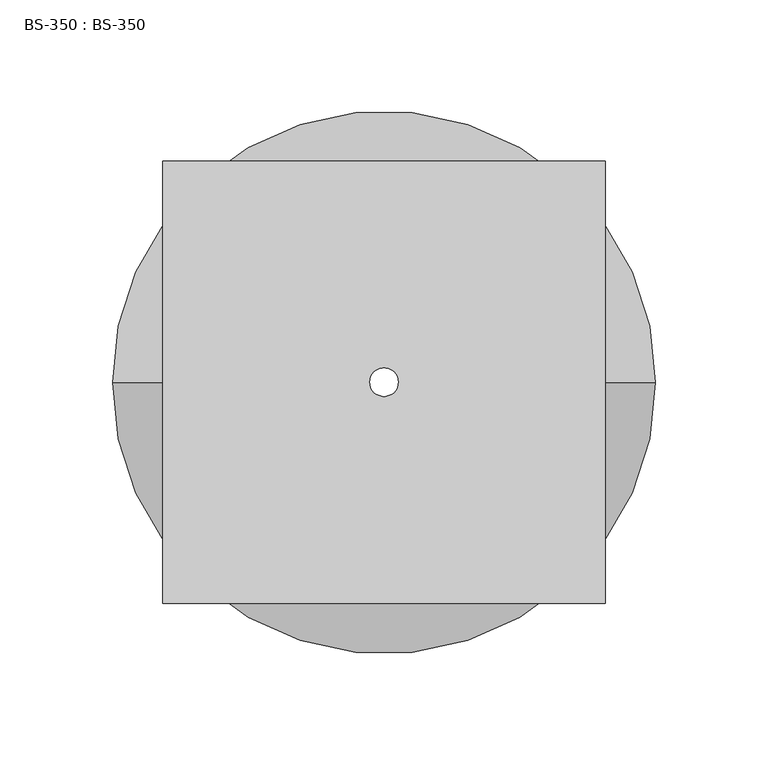
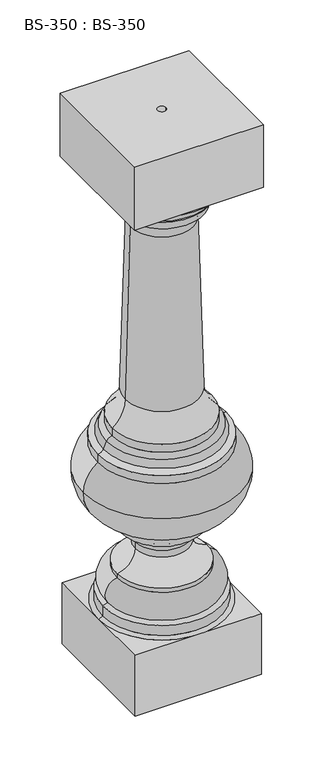
"""IFC4 building model written with IfcOpenShell, lengths in millimetres: proxy geometry, BS-350 : BS-350."""

from ifc_helpers import new_model, si_unit, point, frame, origin, place, context, project, spatial, polyline, circle_curve, ellipse_curve, trimmed, source, transform, mapped, element, save
from ifc_brep_helpers import plane_surface, cylinder_surface, revolved_surface, advanced_brep


def bs_350_bs_350_b2074b74(model_context):
    return source(origin(), model_context, "Body", "AdvancedBrep", [
        advanced_brep(
        [(98.425, -98.425, 889.0), (-98.425, -98.425, 889.0), (-98.425, -98.425, 787.4), (98.425, -98.425, 787.4), (98.425, 98.425, 889.0), (98.425, 98.425, 787.4), (-98.425, 98.425, 787.4), (-98.425, 98.425, 889.0), (6.35, 0.0480835, 889.0), (-6.35, 0.0480835, 889.0), (85.725, 0.0, 787.4), (-85.725, 0.0, 787.4), (-6.35, 0.0480835, 0.0), (6.35, 0.0480835, 0.0), (-68.2625, 0.0, 161.925), (68.2625, 0.0, 161.925), (68.2625, 0.0, 155.575), (-68.2625, 0.0, 155.575), (-41.275, 0.0, 193.3157804), (41.275, 0.0, 193.3157804), (-41.275, 0.0, 204.2894878), (41.275, 0.0, 204.2894878), (-53.975, 0.0, 222.25), (53.975, 0.0, 222.25), (-59.1337644, 0.0, 243.205), (59.1337644, 0.0, 243.205), (-59.4372211, 0.0, 244.6991176), (59.4372211, 0.0, 244.6991176), (-120.65, 0.0, 311.15), (120.65, 0.0, 311.15), (-98.425, 0.0, 352.425), (98.425, 0.0, 352.425), (-98.425, 0.0, 365.125), (98.425, 0.0, 365.125), (-89.7112143, 0.0, 370.8034999), (89.7112143, 0.0, 370.8034999), (-84.9137857, 0.0, 381.6715001), (84.9137857, 0.0, 381.6715001), (-76.2, 0.0, 387.35), (76.2, 0.0, 387.35), (-76.2, 0.0, 400.05), (76.2, 0.0, 400.05), (-56.0537249, 0.0, 439.1504772), (56.0537249, 0.0, 439.1504772), (-48.2973197, 0.0, 715.7955979), (48.2973197, 0.0, 715.7955979), (-63.5, 0.0, 739.775), (63.5, 0.0, 739.775), (-63.5, 0.0, 752.475), (63.5, 0.0, 752.475), (-72.2137857, 0.0, 758.1534999), (72.2137857, 0.0, 758.1534999), (-77.0112143, 0.0, 769.0215001), (77.0112143, 0.0, 769.0215001), (-85.725, 0.0, 774.7), (85.725, 0.0, 774.7), (-83.1656252, 0.0, 120.65), (83.1656252, 0.0, 120.65), (90.4875, 0.0, 117.475), (-90.4875, 0.0, 117.475), (90.4875, 0.0, 101.6), (-90.4875, 0.0, 101.6), (96.8375, 0.0, 98.425), (0.0, 96.8375, 98.425), (-96.8375, 0.0, 98.425), (0.0, -96.8375, 98.425), (-96.8375, -96.8375, 98.425), (-96.8375, -96.8375, 0.0), (96.8375, -96.8375, 0.0), (96.8375, -96.8375, 98.425), (96.8375, 96.8375, 98.425), (96.8375, 96.8375, 0.0), (-96.8375, 96.8375, 0.0), (-96.8375, 96.8375, 98.425)],
        [
            (0, 1),
            (1, 2),
            (2, 3),
            (3, 0),
            (4, 5),
            (5, 6),
            (6, 7),
            (7, 4),
            (0, 4),
            (7, 1),
            (8, 9, circle_curve(frame((0.0, 0.0480835, 889.0), z_axis=(0.0, 0.0, -1.0), x_axis=(-1.0, 0.0, 0.0)), 6.35)),
            (9, 8, circle_curve(frame((0.0, 0.0480835, 889.0), z_axis=(0.0, 0.0, -1.0), x_axis=(-1.0, 0.0, 0.0)), 6.35)),
            (6, 2),
            (5, 3),
            (10, 11, circle_curve(frame((0.0, 0.0, 787.4), z_axis=(0.0, 0.0, 1.0), x_axis=(1.0, 0.0, 0.0)), 85.725)),
            (11, 10, circle_curve(frame((0.0, 0.0, 787.4), z_axis=(0.0, 0.0, 1.0), x_axis=(1.0, 0.0, 0.0)), 85.725)),
            (12, 9),
            (8, 13),
            (13, 12, circle_curve(frame((0.0, 0.0480835, 0.0), z_axis=(0.0, 0.0, -1.0), x_axis=(-1.0, 0.0, 0.0)), 6.35)),
            (12, 13, circle_curve(frame((0.0, 0.0480835, 0.0), z_axis=(0.0, 0.0, -1.0), x_axis=(-1.0, 0.0, 0.0)), 6.35)),
            (14, 15, circle_curve(frame((0.0, 0.0, 161.925), z_axis=(0.0, 0.0, -1.0), x_axis=(1.0, 0.0, 0.0)), 68.2625)),
            (15, 16),
            (16, 17, circle_curve(frame((0.0, 0.0, 155.575), z_axis=(0.0, 0.0, 1.0), x_axis=(1.0, 0.0, 0.0)), 68.2625)),
            (17, 14),
            (15, 14, circle_curve(frame((0.0, 0.0, 161.925), z_axis=(0.0, 0.0, -1.0), x_axis=(1.0, 0.0, 0.0)), 68.2625)),
            (17, 16, circle_curve(frame((0.0, 0.0, 155.575), z_axis=(0.0, 0.0, 1.0), x_axis=(1.0, 0.0, 0.0)), 68.2625)),
            (14, 18, circle_curve(frame((-73.025, 0.0, 193.3157804), z_axis=(0.0, -1.0000000000000002, 0.0), x_axis=(0.15000000000000446, 0.0, -0.9886859966642588)), 31.75)),
            (18, 19, circle_curve(frame((0.0, 0.0, 193.3157804), z_axis=(0.0, 0.0, -1.0), x_axis=(1.0, 0.0, 0.0)), 41.275)),
            (19, 15, circle_curve(frame((73.025, 0.0, 193.3157804), z_axis=(0.0, -1.0000000000000002, 0.0), x_axis=(-0.15000000000000768, 0.0, -0.9886859966642584)), 31.75)),
            (19, 18, circle_curve(frame((0.0, 0.0, 193.3157804), z_axis=(0.0, 0.0, -1.0), x_axis=(1.0, 0.0, 0.0)), 41.275)),
            (18, 20),
            (20, 21, circle_curve(frame((0.0, 0.0, 204.2894878), z_axis=(0.0, 0.0, -1.0), x_axis=(1.0, 0.0, 0.0)), 41.275)),
            (21, 19),
            (21, 20, circle_curve(frame((0.0, 0.0, 204.2894878), z_axis=(0.0, 0.0, -1.0), x_axis=(1.0, 0.0, 0.0)), 41.275)),
            (20, 22, circle_curve(frame((-60.325, 0.0, 204.2894878), z_axis=(0.0, -1.0, 0.0), x_axis=(1.0, 0.0, 0.0)), 19.05)),
            (22, 23, circle_curve(frame((0.0, 0.0, 222.25), z_axis=(0.0, 0.0, -1.0), x_axis=(1.0, 0.0, 0.0)), 53.975)),
            (23, 21, circle_curve(frame((60.325, 0.0, 204.2894878), z_axis=(0.0, -1.0, 0.0), x_axis=(-1.0, 0.0, 0.0)), 19.05)),
            (23, 22, circle_curve(frame((0.0, 0.0, 222.25), z_axis=(0.0, 0.0, -1.0), x_axis=(1.0, 0.0, 0.0)), 53.975)),
            (22, 24, circle_curve(frame((-53.975, 0.0, 233.3625), z_axis=(0.0, 1.0, 0.0), x_axis=(0.0, 0.0, -1.0)), 11.1125)),
            (24, 25, circle_curve(frame((0.0, 0.0, 243.205), z_axis=(0.0, 0.0, -1.0), x_axis=(1.0, 0.0, 0.0)), 59.1337644)),
            (25, 23, circle_curve(frame((53.975, 0.0, 233.3625), z_axis=(0.0, 1.0, 0.0), x_axis=(0.0, 0.0, -1.0)), 11.1125)),
            (25, 24, circle_curve(frame((0.0, 0.0, 243.205), z_axis=(0.0, 0.0, -1.0), x_axis=(1.0, 0.0, 0.0)), 59.1337644)),
            (24, 26, circle_curve(frame((-59.5022476, 0.0, 243.9080357), z_axis=(0.0, -1.0, 0.0), x_axis=(0.46423076598030405, 0.0, -0.8857142857137059)), 0.79375)),
            (26, 27, circle_curve(frame((0.0, 0.0, 244.6991176), z_axis=(0.0, 0.0, -1.0), x_axis=(1.0, 0.0, 0.0)), 59.4372211)),
            (27, 25, circle_curve(frame((59.5022476, 0.0, 243.9080357), z_axis=(0.0, -1.0, 0.0), x_axis=(-0.46423076598030694, 0.0, -0.8857142857137044)), 0.79375)),
            (27, 26, circle_curve(frame((0.0, 0.0, 244.6991176), z_axis=(0.0, 0.0, -1.0), x_axis=(1.0, 0.0, 0.0)), 59.4372211)),
            (26, 28, circle_curve(frame((-53.975, 0.0, 311.15), z_axis=(0.0, 1.0000000000000002, 0.0), x_axis=(-0.08192307634939036, 0.0, -0.9966386554621751)), 66.675)),
            (28, 29, circle_curve(frame((0.0, 0.0, 311.15), z_axis=(0.0, 0.0, -1.0), x_axis=(1.0, 0.0, 0.0)), 120.65)),
            (29, 27, circle_curve(frame((53.975, 0.0, 311.15), z_axis=(0.0, 1.0000000000000002, 0.0), x_axis=(0.08192307634938714, 0.0, -0.9966386554621753)), 66.675)),
            (29, 28, circle_curve(frame((0.0, 0.0, 311.15), z_axis=(0.0, 0.0, -1.0), x_axis=(1.0, 0.0, 0.0)), 120.65)),
            (28, 30, circle_curve(frame((-71.2107143, 0.0, 311.15), z_axis=(0.0, 1.0, 0.0), x_axis=(-1.0, 0.0, 0.0)), 49.4392857)),
            (30, 31, circle_curve(frame((0.0, 0.0, 352.425), z_axis=(0.0, 0.0, -1.0), x_axis=(1.0, 0.0, 0.0)), 98.425)),
            (31, 29, circle_curve(frame((71.2107143, 0.0, 311.15), z_axis=(0.0, 1.0, 0.0), x_axis=(1.0, 0.0, 0.0)), 49.4392857)),
            (31, 30, circle_curve(frame((0.0, 0.0, 352.425), z_axis=(0.0, 0.0, -1.0), x_axis=(1.0, 0.0, 0.0)), 98.425)),
            (30, 32),
            (32, 33, circle_curve(frame((0.0, 0.0, 365.125), z_axis=(0.0, 0.0, -1.0), x_axis=(1.0, 0.0, 0.0)), 98.425)),
            (33, 31),
            (33, 32, circle_curve(frame((0.0, 0.0, 365.125), z_axis=(0.0, 0.0, -1.0), x_axis=(1.0, 0.0, 0.0)), 98.425)),
            (32, 34, circle_curve(frame((-98.425, 0.0, 374.65), z_axis=(0.0, -1.0, 0.0), x_axis=(1.209428543885149e-12, 0.0, -1.0)), 9.525)),
            (34, 35, circle_curve(frame((0.0, 0.0, 370.8034999), z_axis=(0.0, 0.0, -1.0), x_axis=(1.0, 0.0, 0.0)), 89.7112143)),
            (35, 33, circle_curve(frame((98.425, 0.0, 374.65), z_axis=(0.0, -1.0, 0.0), x_axis=(-1.2126596023657426e-12, 0.0, -1.0)), 9.525)),
            (35, 34, circle_curve(frame((0.0, 0.0, 370.8034999), z_axis=(0.0, 0.0, -1.0), x_axis=(1.0, 0.0, 0.0)), 89.7112143)),
            (34, 36),
            (36, 37, circle_curve(frame((0.0, 0.0, 381.6715001), z_axis=(0.0, 0.0, -1.0), x_axis=(1.0, 0.0, 0.0)), 84.9137857)),
            (37, 35),
            (37, 36, circle_curve(frame((0.0, 0.0, 381.6715001), z_axis=(0.0, 0.0, -1.0), x_axis=(1.0, 0.0, 0.0)), 84.9137857)),
            (36, 38, circle_curve(frame((-76.2, 0.0, 377.825), z_axis=(0.0, 1.0, 0.0), x_axis=(-0.9148331477354128, 0.0, 0.4038320341485015)), 9.525)),
            (38, 39, circle_curve(frame((0.0, 0.0, 387.35), z_axis=(0.0, 0.0, -1.0), x_axis=(1.0, 0.0, 0.0)), 76.2)),
            (39, 37, circle_curve(frame((76.2, 0.0, 377.825), z_axis=(0.0, 1.0, 0.0), x_axis=(0.9148331477354141, 0.0, 0.4038320341484985)), 9.525)),
            (39, 38, circle_curve(frame((0.0, 0.0, 387.35), z_axis=(0.0, 0.0, -1.0), x_axis=(1.0, 0.0, 0.0)), 76.2)),
            (38, 40),
            (40, 41, circle_curve(frame((0.0, 0.0, 400.05), z_axis=(0.0, 0.0, -1.0), x_axis=(1.0, 0.0, 0.0)), 76.2)),
            (41, 39),
            (41, 40, circle_curve(frame((0.0, 0.0, 400.05), z_axis=(0.0, 0.0, -1.0), x_axis=(1.0, 0.0, 0.0)), 76.2)),
            (40, 42, circle_curve(frame((-106.8337699, 0.0, 440.5742167), z_axis=(0.0, -1.0, 0.0), x_axis=(0.6030269664236528, 0.0, -0.79772080188866)), 50.8)),
            (42, 43, circle_curve(frame((0.0, 0.0, 439.1504772), z_axis=(0.0, 0.0, -1.0), x_axis=(1.0, 0.0, 0.0)), 56.0537249)),
            (43, 41, circle_curve(frame((106.8337699, 0.0, 440.5742167), z_axis=(0.0, -1.0, 0.0), x_axis=(-0.6030269664236555, 0.0, -0.797720801888658)), 50.8)),
            (43, 42, circle_curve(frame((0.0, 0.0, 439.1504772), z_axis=(0.0, 0.0, -1.0), x_axis=(1.0, 0.0, 0.0)), 56.0537249)),
            (42, 44),
            (44, 45, circle_curve(frame((0.0, 0.0, 715.7955979), z_axis=(0.0, 0.0, -1.0), x_axis=(1.0, 0.0, 0.0)), 48.2973197)),
            (45, 43),
            (45, 44, circle_curve(frame((0.0, 0.0, 715.7955979), z_axis=(0.0, 0.0, -1.0), x_axis=(1.0, 0.0, 0.0)), 48.2973197)),
            (44, 46, circle_curve(frame((-73.6873422, 0.0, 716.5074677), z_axis=(0.0, -1.0, 0.0), x_axis=(0.9996071841499911, 0.0, -0.028026369649422206)), 25.4)),
            (46, 47, circle_curve(frame((0.0, 0.0, 739.775), z_axis=(0.0, 0.0, -1.0), x_axis=(1.0, 0.0, 0.0)), 63.5)),
            (47, 45, circle_curve(frame((73.6873422, 0.0, 716.5074677), z_axis=(0.0, -1.0, 0.0), x_axis=(-0.9996071841499911, 0.0, -0.02802636964941898)), 25.4)),
            (47, 46, circle_curve(frame((0.0, 0.0, 739.775), z_axis=(0.0, 0.0, -1.0), x_axis=(1.0, 0.0, 0.0)), 63.5)),
            (46, 48),
            (48, 49, circle_curve(frame((0.0, 0.0, 752.475), z_axis=(0.0, 0.0, -1.0), x_axis=(1.0, 0.0, 0.0)), 63.5)),
            (49, 47),
            (49, 48, circle_curve(frame((0.0, 0.0, 752.475), z_axis=(0.0, 0.0, -1.0), x_axis=(1.0, 0.0, 0.0)), 63.5)),
            (48, 50, circle_curve(frame((-63.5, 0.0, 762.0), z_axis=(0.0, 1.0, 0.0), x_axis=(0.0, 0.0, -1.0)), 9.525)),
            (50, 51, circle_curve(frame((0.0, 0.0, 758.1534999), z_axis=(0.0, 0.0, -1.0), x_axis=(1.0, 0.0, 0.0)), 72.2137857)),
            (51, 49, circle_curve(frame((63.5, 0.0, 762.0), z_axis=(0.0, 1.0, 0.0), x_axis=(0.0, 0.0, -1.0)), 9.525)),
            (51, 50, circle_curve(frame((0.0, 0.0, 758.1534999), z_axis=(0.0, 0.0, -1.0), x_axis=(1.0, 0.0, 0.0)), 72.2137857)),
            (50, 52),
            (52, 53, circle_curve(frame((0.0, 0.0, 769.0215001), z_axis=(0.0, 0.0, -1.0), x_axis=(1.0, 0.0, 0.0)), 77.0112143)),
            (53, 51),
            (53, 52, circle_curve(frame((0.0, 0.0, 769.0215001), z_axis=(0.0, 0.0, -1.0), x_axis=(1.0, 0.0, 0.0)), 77.0112143)),
            (52, 54, circle_curve(frame((-85.725, 0.0, 765.175), z_axis=(0.0, -1.0000000000000002, 0.0), x_axis=(0.9148331477358898, 0.0, 0.4038320341474212)), 9.525)),
            (54, 55, circle_curve(frame((0.0, 0.0, 774.7), z_axis=(0.0, 0.0, -1.0), x_axis=(1.0, 0.0, 0.0)), 85.725)),
            (55, 53, circle_curve(frame((85.725, 0.0, 765.175), z_axis=(0.0, -1.0000000000000002, 0.0), x_axis=(-0.9148331477358884, 0.0, 0.4038320341474242)), 9.525)),
            (55, 54, circle_curve(frame((0.0, 0.0, 774.7), z_axis=(0.0, 0.0, -1.0), x_axis=(1.0, 0.0, 0.0)), 85.725)),
            (56, 57, circle_curve(frame((0.0, 0.0, 120.65), z_axis=(0.0, 0.0, -1.0), x_axis=(1.0, 0.0, 0.0)), 83.1656252)),
            (57, 58),
            (58, 59, circle_curve(frame((0.0, 0.0, 117.475), z_axis=(0.0, 0.0, 1.0), x_axis=(1.0, 0.0, 0.0)), 90.4875)),
            (59, 56),
            (57, 56, circle_curve(frame((0.0, 0.0, 120.65), z_axis=(0.0, 0.0, -1.0), x_axis=(1.0, 0.0, 0.0)), 83.1656252)),
            (59, 58, circle_curve(frame((0.0, 0.0, 117.475), z_axis=(0.0, 0.0, 1.0), x_axis=(1.0, 0.0, 0.0)), 90.4875)),
            (16, 57, circle_curve(frame((65.0875, 0.0, 133.5779547), z_axis=(0.0, 1.0, 0.0), x_axis=(0.8134139577449832, 0.0, -0.5816852528177442)), 22.225)),
            (56, 17, circle_curve(frame((-65.0875, 0.0, 133.5779547), z_axis=(0.0, 1.0, 0.0), x_axis=(-0.8134139577449849, 0.0, -0.5816852528177415)), 22.225)),
            (54, 11),
            (10, 55),
            (58, 60),
            (60, 61, circle_curve(frame((0.0, 0.0, 101.6), z_axis=(0.0, 0.0, 1.0), x_axis=(1.0, 0.0, 0.0)), 90.4875)),
            (61, 59),
            (61, 60, circle_curve(frame((0.0, 0.0, 101.6), z_axis=(0.0, 0.0, 1.0), x_axis=(1.0, 0.0, 0.0)), 90.4875)),
            (60, 62),
            (62, 63, circle_curve(frame((0.0, 0.0, 98.425), z_axis=(0.0, 0.0, 1.0), x_axis=(1.0, 0.0, 0.0)), 96.8375)),
            (63, 64, circle_curve(frame((0.0, 0.0, 98.425), z_axis=(0.0, 0.0, 1.0), x_axis=(1.0, 0.0, 0.0)), 96.8375)),
            (64, 61),
            (64, 65, circle_curve(frame((0.0, 0.0, 98.425), z_axis=(0.0, 0.0, 1.0), x_axis=(1.0, 0.0, 0.0)), 96.8375)),
            (65, 62, circle_curve(frame((0.0, 0.0, 98.425), z_axis=(0.0, 0.0, 1.0), x_axis=(1.0, 0.0, 0.0)), 96.8375)),
            (66, 67),
            (67, 68),
            (68, 69),
            (69, 65),
            (65, 66),
            (70, 71),
            (71, 72),
            (72, 73),
            (73, 63),
            (63, 70),
            (69, 62),
            (62, 70),
            (73, 64),
            (64, 66),
            (72, 67),
            (71, 68),
        ],
        [
            plane_surface(frame((-96.7670203, -98.425, 889.0), z_axis=(0.0, -1.0, 0.0), x_axis=(-1.0, 0.0, 0.0))),
            plane_surface(frame((-96.7670203, 98.425, 889.0), z_axis=(0.0, 1.0, 0.0), x_axis=(1.0, 0.0, 0.0))),
            plane_surface(frame((98.425, -98.425, 889.0), z_axis=(0.0, 0.0, 1.0), x_axis=(0.0, 1.0, 0.0))),
            plane_surface(frame((-98.425, -98.425, 889.0), z_axis=(-1.0, 0.0, 0.0), x_axis=(0.0, 1.0, 0.0))),
            plane_surface(frame((-98.425, -98.425, 787.4), z_axis=(0.0, 0.0, -1.0), x_axis=(0.0, 1.0, 0.0))),
            plane_surface(frame((98.425, -98.425, 787.4), z_axis=(1.0, 0.0, 0.0), x_axis=(0.0, 1.0, 0.0))),
            revolved_surface(polyline([(-6.35, 0.0480835, 0.0), (-6.35, 0.0480835, 889.0)]), (0.0, 0.0480835, 889.0), (0.0, 0.0, -1.0)),
            cylinder_surface(frame((0.0, 0.0, 774.7), z_axis=(0.0, 0.0, 1.0), x_axis=(1.0, 0.0, 0.0)), 68.2625),
            revolved_surface(trimmed(ellipse_curve(frame((73.025, 0.0, 193.3157804), z_axis=(0.0, 1.0000000000000002, 0.0), x_axis=(-0.15000000000000768, 0.0, -0.9886859966642584)), 31.75, 31.75), [point((68.2625, 0.0, 161.925))], [point((41.275, 0.0, 193.3157804))], True, "CARTESIAN"), (0.0, 0.0, 774.7), (0.0, 0.0, 1.0)),
            cylinder_surface(frame((0.0, 0.0, 774.7), z_axis=(0.0, 0.0, 1.0), x_axis=(1.0, 0.0, 0.0)), 41.275),
            revolved_surface(trimmed(ellipse_curve(frame((60.325, 0.0, 204.2894878), z_axis=(0.0, 1.0, 0.0), x_axis=(-1.0, 0.0, 0.0)), 19.05, 19.05), [point((41.275, 0.0, 204.2894878))], [point((53.975, 0.0, 222.25))], True, "CARTESIAN"), (0.0, 0.0, 774.7), (0.0, 0.0, 1.0)),
            revolved_surface(trimmed(ellipse_curve(frame((53.975, 0.0, 233.3625), z_axis=(0.0, -1.0, 0.0), x_axis=(0.0, 0.0, -1.0)), 11.1125, 11.1125), [point((53.975, 0.0, 222.25))], [point((59.1337644, 0.0, 243.205))], True, "CARTESIAN"), (0.0, 0.0, 774.7), (0.0, 0.0, 1.0)),
            revolved_surface(trimmed(ellipse_curve(frame((59.5022476, 0.0, 243.9080357), z_axis=(0.0, 1.0, 0.0), x_axis=(-0.46423076598030694, 0.0, -0.8857142857137044)), 0.79375, 0.79375), [point((59.1337644, 0.0, 243.205))], [point((59.4372211, 0.0, 244.6991176))], True, "CARTESIAN"), (0.0, 0.0, 774.7), (0.0, 0.0, 1.0)),
            revolved_surface(trimmed(ellipse_curve(frame((53.975, 0.0, 311.15), z_axis=(0.0, -1.0000000000000002, 0.0), x_axis=(0.08192307634938714, 0.0, -0.9966386554621753)), 66.675, 66.675), [point((59.4372211, 0.0, 244.6991176))], [point((120.65, 0.0, 311.15))], True, "CARTESIAN"), (0.0, 0.0, 774.7), (0.0, 0.0, 1.0)),
            revolved_surface(trimmed(ellipse_curve(frame((71.2107143, 0.0, 311.15), z_axis=(0.0, -1.0, 0.0), x_axis=(1.0, 0.0, 0.0)), 49.4392857, 49.4392857), [point((120.65, 0.0, 311.15))], [point((98.425, 0.0, 352.425))], True, "CARTESIAN"), (0.0, 0.0, 774.7), (0.0, 0.0, 1.0)),
            cylinder_surface(frame((0.0, 0.0, 774.7), z_axis=(0.0, 0.0, 1.0), x_axis=(1.0, 0.0, 0.0)), 98.425),
            revolved_surface(trimmed(ellipse_curve(frame((98.425, 0.0, 374.65), z_axis=(0.0, 1.0, 0.0), x_axis=(-1.2126596023657426e-12, 0.0, -1.0)), 9.525, 9.525), [point((98.425, 0.0, 365.125))], [point((89.7112143, 0.0, 370.8034999))], True, "CARTESIAN"), (0.0, 0.0, 774.7), (0.0, 0.0, 1.0)),
            revolved_surface(polyline([(89.7112143, 0.0, 370.8034999), (84.9137857, 0.0, 381.6715001)]), (0.0, 0.0, 774.7), (0.0, 0.0, 1.0)),
            revolved_surface(trimmed(ellipse_curve(frame((76.2, 0.0, 377.825), z_axis=(0.0, -1.0, 0.0), x_axis=(0.9148331477354141, 0.0, 0.4038320341484985)), 9.525, 9.525), [point((84.9137857, 0.0, 381.6715001))], [point((76.2, 0.0, 387.35))], True, "CARTESIAN"), (0.0, 0.0, 774.7), (0.0, 0.0, 1.0)),
            cylinder_surface(frame((0.0, 0.0, 774.7), z_axis=(0.0, 0.0, 1.0), x_axis=(1.0, 0.0, 0.0)), 76.2),
            revolved_surface(trimmed(ellipse_curve(frame((106.8337699, 0.0, 440.5742167), z_axis=(0.0, 1.0, 0.0), x_axis=(-0.6030269664236555, 0.0, -0.797720801888658)), 50.8, 50.8), [point((76.2, 0.0, 400.05))], [point((56.0537249, 0.0, 439.1504772))], True, "CARTESIAN"), (0.0, 0.0, 774.7), (0.0, 0.0, 1.0)),
            revolved_surface(polyline([(56.0537249, 0.0, 439.1504772), (48.2973197, 0.0, 715.7955979)]), (0.0, 0.0, 774.7), (0.0, 0.0, 1.0)),
            revolved_surface(trimmed(ellipse_curve(frame((73.6873422, 0.0, 716.5074677), z_axis=(0.0, 1.0, 0.0), x_axis=(-0.9996071841499911, 0.0, -0.02802636964941898)), 25.4, 25.4), [point((48.2973197, 0.0, 715.7955979))], [point((63.5, 0.0, 739.775))], True, "CARTESIAN"), (0.0, 0.0, 774.7), (0.0, 0.0, 1.0)),
            cylinder_surface(frame((0.0, 0.0, 774.7), z_axis=(0.0, 0.0, 1.0), x_axis=(1.0, 0.0, 0.0)), 63.5),
            revolved_surface(trimmed(ellipse_curve(frame((63.5, 0.0, 762.0), z_axis=(0.0, -1.0, 0.0), x_axis=(0.0, 0.0, -1.0)), 9.525, 9.525), [point((63.5, 0.0, 752.475))], [point((72.2137857, 0.0, 758.1534999))], True, "CARTESIAN"), (0.0, 0.0, 774.7), (0.0, 0.0, 1.0)),
            revolved_surface(polyline([(72.2137857, 0.0, 758.1534999), (77.0112143, 0.0, 769.0215001)]), (0.0, 0.0, 774.7), (0.0, 0.0, 1.0)),
            revolved_surface(trimmed(ellipse_curve(frame((85.725, 0.0, 765.175), z_axis=(0.0, 1.0000000000000002, 0.0), x_axis=(-0.9148331477358884, 0.0, 0.4038320341474242)), 9.525, 9.525), [point((77.0112143, 0.0, 769.0215001))], [point((85.725, 0.0, 774.7))], True, "CARTESIAN"), (0.0, 0.0, 774.7), (0.0, 0.0, 1.0)),
            revolved_surface(polyline([(90.4875, 0.0, 117.475), (83.1656252, 0.0, 120.65)]), (0.0, 0.0, 774.7), (0.0, 0.0, 1.0)),
            revolved_surface(trimmed(ellipse_curve(frame((65.0875, 0.0, 133.5779547), z_axis=(0.0, -1.0, 0.0), x_axis=(0.8134139577449832, 0.0, -0.5816852528177442)), 22.225, 22.225), [point((83.1656252, 0.0, 120.65))], [point((68.2625, 0.0, 155.575))], True, "CARTESIAN"), (0.0, 0.0, 774.7), (0.0, 0.0, 1.0)),
            cylinder_surface(frame((0.0, 0.0, 774.7), z_axis=(0.0, 0.0, 1.0), x_axis=(1.0, 0.0, 0.0)), 85.725),
            cylinder_surface(frame((0.0, 0.0, 774.7), z_axis=(0.0, 0.0, 1.0), x_axis=(1.0, 0.0, 0.0)), 90.4875),
            revolved_surface(polyline([(96.8375, 0.0, 98.425), (90.4875, 0.0, 101.6)]), (0.0, 0.0, 774.7), (0.0, 0.0, 1.0)),
            plane_surface(frame((-101.4218752, -96.8375, 98.425), z_axis=(0.0, -1.0, 0.0), x_axis=(-1.0, 0.0, 0.0))),
            plane_surface(frame((-101.4218752, 96.8375, 98.425), z_axis=(0.0, 1.0, 0.0), x_axis=(1.0, 0.0, 0.0))),
            plane_surface(frame((96.8375, -96.8375, 98.425), z_axis=(0.0, 0.0, 1.0), x_axis=(0.0, 1.0, 0.0))),
            plane_surface(frame((-96.8375, -96.8375, 98.425), z_axis=(-1.0, 0.0, 0.0), x_axis=(0.0, 1.0, 0.0))),
            plane_surface(frame((-96.8375, -96.8375, 0.0), z_axis=(0.0, 0.0, -1.0), x_axis=(0.0, 1.0, 0.0))),
            plane_surface(frame((96.8375, -96.8375, 0.0), z_axis=(1.0, 0.0, 0.0), x_axis=(0.0, 1.0, 0.0))),
        ],
        [
            (0, [[1, 2, 3, 4]]),
            (1, [[5, 6, 7, 8]]),
            (2, [[-1, 9, -8, 10], [11, 12]]),
            (3, [[-2, -10, -7, 13]]),
            (4, [[-3, -13, -6, 14], [15, 16]]),
            (5, [[-4, -14, -5, -9]]),
            (6, [[17, -11, 18, 19]]),
            (6, [[-17, 20, -18, -12]]),
            (7, [[21, 22, 23, 24]]),
            (7, [[-22, 25, -24, 26]]),
            (8, [[-21, 27, 28, 29]]),
            (8, [[-25, -29, 30, -27]]),
            (9, [[-28, 31, 32, 33]]),
            (9, [[-30, -33, 34, -31]]),
            (10, [[-32, 35, 36, 37]]),
            (10, [[-34, -37, 38, -35]]),
            (11, [[-36, 39, 40, 41]]),
            (11, [[-38, -41, 42, -39]]),
            (12, [[-40, 43, 44, 45]]),
            (12, [[-42, -45, 46, -43]]),
            (13, [[-44, 47, 48, 49]]),
            (13, [[-46, -49, 50, -47]]),
            (14, [[-48, 51, 52, 53]]),
            (14, [[-50, -53, 54, -51]]),
            (15, [[-52, 55, 56, 57]]),
            (15, [[-54, -57, 58, -55]]),
            (16, [[-56, 59, 60, 61]]),
            (16, [[-58, -61, 62, -59]]),
            (17, [[-60, 63, 64, 65]]),
            (17, [[-62, -65, 66, -63]]),
            (18, [[-64, 67, 68, 69]]),
            (18, [[-66, -69, 70, -67]]),
            (19, [[-68, 71, 72, 73]]),
            (19, [[-70, -73, 74, -71]]),
            (20, [[-72, 75, 76, 77]]),
            (20, [[-74, -77, 78, -75]]),
            (21, [[-76, 79, 80, 81]]),
            (21, [[-78, -81, 82, -79]]),
            (22, [[-80, 83, 84, 85]]),
            (22, [[-82, -85, 86, -83]]),
            (23, [[-84, 87, 88, 89]]),
            (23, [[-86, -89, 90, -87]]),
            (24, [[-88, 91, 92, 93]]),
            (24, [[-90, -93, 94, -91]]),
            (25, [[-92, 95, 96, 97]]),
            (25, [[-94, -97, 98, -95]]),
            (26, [[-96, 99, 100, 101]]),
            (26, [[-98, -101, 102, -99]]),
            (27, [[103, 104, 105, 106]]),
            (27, [[-104, 107, -106, 108]]),
            (28, [[-23, 109, -103, 110]]),
            (28, [[-26, -110, -107, -109]]),
            (29, [[-100, 111, -15, 112]]),
            (29, [[-102, -112, -16, -111]]),
            (30, [[-105, 113, 114, 115]]),
            (30, [[-108, -115, 116, -113]]),
            (31, [[-114, 117, 118, 119, 120]]),
            (31, [[-116, -120, 121, 122, -117]]),
            (32, [[123, 124, 125, 126, 127]]),
            (33, [[128, 129, 130, 131, 132]]),
            (34, [[133, -122, -126]]),
            (34, [[134, -132, -118]]),
            (34, [[135, -119, -131]]),
            (34, [[136, -127, -121]]),
            (35, [[-123, -136, -135, -130, 137]]),
            (36, [[-124, -137, -129, 138], [-19, -20]]),
            (37, [[-125, -138, -128, -134, -133]]),
        ],
    ),
    ])


if __name__ == "__main__":
    model = new_model("IFC4")
    model_context = context("Model", 3, world=origin())
    ifc_project = project(units=[si_unit("LENGTHUNIT", "METRE", prefix="MILLI")], contexts=[model_context])
    site = spatial("IfcSite", under=ifc_project)
    building = spatial("IfcBuilding", under=site)
    placement = place(None, origin())
    bs_350_bs_350_shape = bs_350_bs_350_b2074b74(model_context)
    element("IfcBuildingElementProxy", 1, Name="BS-350 : BS-350", ObjectType="BS-350 : BS-350", at=placement, inside=building, context=model_context, shape_type="MappedRepresentation", body=[
        mapped(bs_350_bs_350_shape, transform((0.0, 0.0, 0.0), x_axis=(1.0, 0.0, 0.0), y_axis=(0.0, 1.0, 0.0), z_axis=(0.0, 0.0, 1.0))),
    ])
    save(model, "model.ifc")
